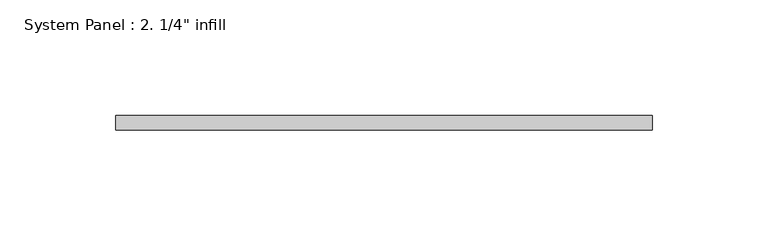
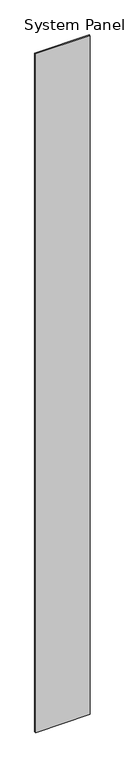
"""IFC4 building model written with IfcOpenShell, lengths in millimetres: plate geometry."""

from ifc_helpers import new_model, si_unit, origin, origin_with_axes, place, context, project, spatial, polyline, outline, extrude, source, transform, mapped, element, save


def plate_39587fc7(model_context):
    return source(origin(), model_context, "Body", "SweptSolid", [
        extrude(outline(polyline([(116.0839095, -6.35), (-116.0839095, -6.35), (-116.0839095, 0.0), (116.0839095, 0.0), (116.0839095, -6.35)])), origin_with_axes(), (0.0, 0.0, 1.0), 3048.0),
    ])


if __name__ == "__main__":
    model = new_model("IFC4")
    model_context = context("Model", 3, world=origin())
    ifc_project = project(units=[si_unit("LENGTHUNIT", "METRE", prefix="MILLI")], contexts=[model_context])
    site = spatial("IfcSite", under=ifc_project)
    building = spatial("IfcBuilding", under=site)
    placement = place(None, origin())
    plate_shape = plate_39587fc7(model_context)
    element("IfcPlate", 1, ObjectType="System Panel : 2. 1/4\" infill", at=placement, inside=building, context=model_context, shape_type="MappedRepresentation", body=[
        mapped(plate_shape, transform((0.0, 0.0, 0.0), x_axis=(1.0, 0.0, 0.0), y_axis=(0.0, 1.0, 0.0), z_axis=(0.0, 0.0, 1.0))),
    ])
    save(model, "model.ifc")
